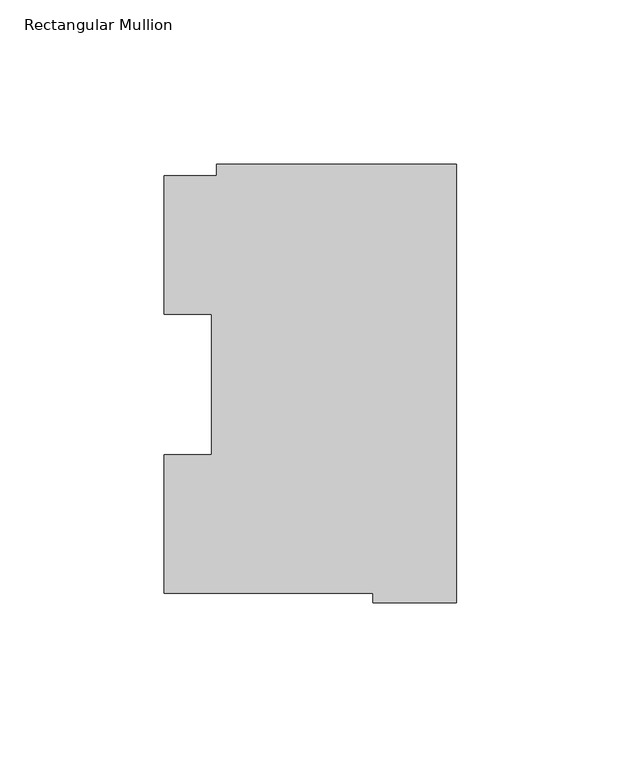
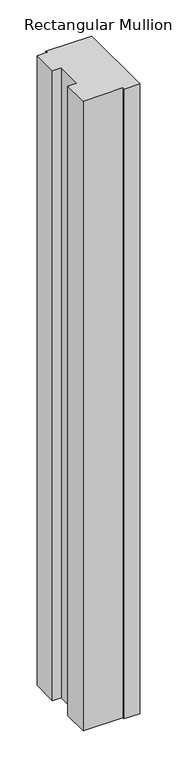
"""IFC4 building model written with IfcOpenShell, lengths in millimetres: member geometry, Rectangular Mullion."""

from ifc_helpers import new_model, si_unit, frame, origin, place, context, project, spatial, polyline, outline, extrude, source, transform, mapped, element, save


def rectangular_mullion_c2a5d1df(model_context):
    return source(origin(), model_context, "Body", "SweptSolid", [
        extrude(outline(polyline([(-88.8772701, 127.006348), (-73.025, 127.006348), (-73.025, 130.4246837), (0.0, 130.4246837), (0.0, -2.939538), (-25.3772701, -2.939538), (-25.3772701, 0.0063465), (-88.8772701, 0.0063465), (-88.8772701, 42.0814491), (-74.4684922, 42.0814491), (-74.4684922, 84.93125), (-88.8772701, 84.93125), (-88.8772701, 127.006348)])), frame((0.0, 0.0, -1066.8), z_axis=(0.0, 0.0, 1.0), x_axis=(1.0, 0.0, 0.0)), (0.0, 0.0, 1.0), 1066.8),
    ])


if __name__ == "__main__":
    model = new_model("IFC4")
    model_context = context("Model", 3, world=origin())
    ifc_project = project(units=[si_unit("LENGTHUNIT", "METRE", prefix="MILLI")], contexts=[model_context])
    site = spatial("IfcSite", under=ifc_project)
    building = spatial("IfcBuilding", under=site)
    placement = place(None, origin())
    rectangular_mullion_shape = rectangular_mullion_c2a5d1df(model_context)
    element("IfcMember", 1, ObjectType="Rectangular Mullion", at=placement, inside=building, context=model_context, shape_type="MappedRepresentation", body=[
        mapped(rectangular_mullion_shape, transform((0.0, 0.0, 0.0), x_axis=(1.0, 0.0, 0.0), y_axis=(0.0, 1.0, 0.0), z_axis=(0.0, 0.0, 1.0))),
    ])
    save(model, "model.ifc")
